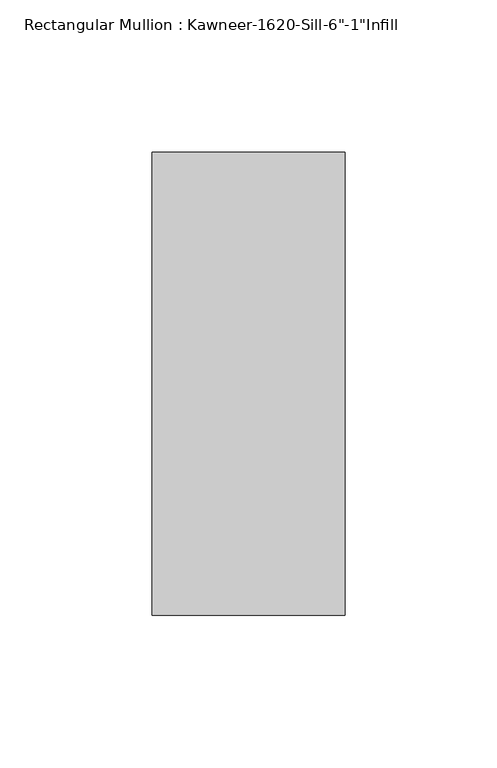
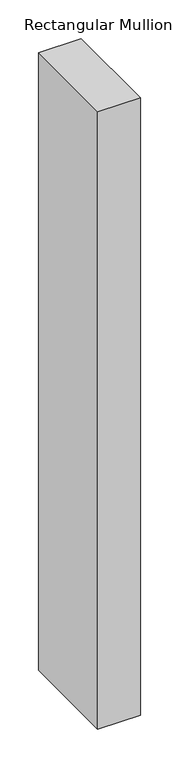
"""IFC4 building model written with IfcOpenShell, lengths in millimetres: member geometry."""

import ifcopenshell
import ifcopenshell.guid

model = None  # the IFC model being written
_history = None  # IfcOwnerHistory: only IFC2X3 demands one
_inside = {}  # id of a spatial element -> (the spatial element, [elements in it])
_under = {}  # id of a project, library or spatial element -> (it, [spatial elements below it])
_declared = {}  # id of a project -> (the project, [libraries it declares])
_typed = {}  # id of a type object -> (the type object, [elements of that type])
_made_of = {}  # id of a material, layer set ... -> (it, [elements and type objects made of it])


def new_model(schema):
    """Start an empty IFC model of exactly this schema.

    Asked for "IFC4X3", IfcOpenShell would pick the latest addendum, in which some entities
    have other attributes; the version numbers below select the first issue.
    IFC2X3 requires an IfcOwnerHistory on every rooted entity: one is made here for all.
    """
    global model, _history
    if schema == "IFC4X3":
        model = ifcopenshell.file(schema_version=(4, 3, 0, 0))
    else:
        model = ifcopenshell.file(schema=schema)
    _inside.clear()
    _under.clear()
    _declared.clear()
    _typed.clear()
    _made_of.clear()
    _history = None
    if model.schema == "IFC2X3":
        org = make("IfcOrganization", Name="unknown")
        user = make(
            "IfcPersonAndOrganization",
            ThePerson=make("IfcPerson", FamilyName="unknown"),
            TheOrganization=org,
        )
        app = make(
            "IfcApplication",
            ApplicationDeveloper=org,
            Version="unknown",
            ApplicationFullName="unknown",
            ApplicationIdentifier="unknown",
        )
        _history = make(
            "IfcOwnerHistory",
            OwningUser=user,
            OwningApplication=app,
            ChangeAction="ADDED",
            CreationDate=0,
        )
    return model


def make(cls, **values):
    """One entity of the class cls with the attributes given. An attribute that is None is left unset."""
    return model.create_entity(
        cls, **{name: value for name, value in values.items() if value is not None}
    )


def rooted(cls, **values):
    """An entity with a GlobalId (a new one), such as an element, a storey or a relation."""
    return make(cls, GlobalId=ifcopenshell.guid.new(), OwnerHistory=_history, **values)


def si_unit(unit_type, name, prefix=None):
    """IfcSIUnit, for example si_unit("LENGTHUNIT", "METRE", prefix="MILLI")."""
    return make("IfcSIUnit", UnitType=unit_type, Prefix=prefix, Name=name)


def assignment(units):
    """IfcUnitAssignment: the units of a project."""
    return None if units is None else make("IfcUnitAssignment", Units=units)


def point(xyz):
    """IfcCartesianPoint."""
    return None if xyz is None else make("IfcCartesianPoint", Coordinates=xyz)


def direction(xyz):
    """IfcDirection."""
    return None if xyz is None else make("IfcDirection", DirectionRatios=xyz)


def frame(location, z_axis=None, x_axis=None):
    """IfcAxis2Placement3D, a coordinate frame: its origin and axes. An axis left out is left unset."""
    return make(
        "IfcAxis2Placement3D",
        Location=point(location),
        Axis=direction(z_axis),
        RefDirection=direction(x_axis),
    )


def origin():
    """The frame at (0, 0, 0) with its axes left unset."""
    return frame((0.0, 0.0, 0.0))


def place(relative_to, where):
    """IfcLocalPlacement: puts the frame where relative to a parent placement (None: the world)."""
    return make(
        "IfcLocalPlacement", PlacementRelTo=relative_to, RelativePlacement=where
    )


def context(
    kind, dimensions, precision=None, world=None, true_north=None, identifier=None
):
    """IfcGeometricRepresentationContext, for example the 3D "Model" context."""
    return make(
        "IfcGeometricRepresentationContext",
        ContextIdentifier=identifier,
        ContextType=kind,
        CoordinateSpaceDimension=dimensions,
        Precision=precision,
        WorldCoordinateSystem=world,
        TrueNorth=true_north,
    )


def project(units=None, contexts=None):
    """IfcProject with its units and contexts."""
    return rooted(
        "IfcProject",
        Name="project",
        RepresentationContexts=contexts,
        UnitsInContext=assignment(units),
    )


def spatial(cls, under=None, at=None, **own):
    """A site, building, storey or space (cls), placed at a placement, below another one or the project."""
    s = rooted(cls, ObjectPlacement=at, **own)
    if under is not None:
        _under.setdefault(under.id(), (under, []))[1].append(s)
    return s


def polyline(points):
    """IfcPolyline through the points."""
    return make("IfcPolyline", Points=[point(p) for p in points])


def outline(outer, holes=None, kind="AREA"):
    """IfcArbitraryClosedProfileDef: a profile drawn as a closed curve; with holes, ...WithVoids."""
    if holes is None:
        return make("IfcArbitraryClosedProfileDef", ProfileType=kind, OuterCurve=outer)
    return make(
        "IfcArbitraryProfileDefWithVoids",
        ProfileType=kind,
        OuterCurve=outer,
        InnerCurves=holes,
    )


def extrude(swept, where, along, depth):
    """IfcExtrudedAreaSolid: the profile swept, set in the frame where, extruded along a direction by depth."""
    return make(
        "IfcExtrudedAreaSolid",
        SweptArea=swept,
        Position=where,
        ExtrudedDirection=direction(along),
        Depth=depth,
    )


def shape(context_of_items, identifier, shape_type, items):
    """IfcShapeRepresentation: the items that make up one representation, for example the "Body"."""
    return make(
        "IfcShapeRepresentation",
        ContextOfItems=context_of_items,
        RepresentationIdentifier=identifier,
        RepresentationType=shape_type,
        Items=items,
    )


def source(mapping_origin, context_of_items, identifier, shape_type, items):
    """IfcRepresentationMap: a shape defined once, which mapped items show again and again."""
    return make(
        "IfcRepresentationMap",
        MappingOrigin=mapping_origin,
        MappedRepresentation=shape(context_of_items, identifier, shape_type, items),
    )


def transform(
    local_origin,
    x_axis=None,
    y_axis=None,
    z_axis=None,
    scale=None,
    scale2=None,
    scale3=None,
    uniform=True,
):
    """IfcCartesianTransformationOperator3D, or its non-uniform kind. x_axis, y_axis, z_axis: its Axis1, 2, 3."""
    if uniform:
        return make(
            "IfcCartesianTransformationOperator3D",
            Axis1=direction(x_axis),
            Axis2=direction(y_axis),
            LocalOrigin=point(local_origin),
            Scale=scale,
            Axis3=direction(z_axis),
        )
    return make(
        "IfcCartesianTransformationOperator3DnonUniform",
        Axis1=direction(x_axis),
        Axis2=direction(y_axis),
        LocalOrigin=point(local_origin),
        Scale=scale,
        Axis3=direction(z_axis),
        Scale2=scale2,
        Scale3=scale3,
    )


def mapped(mapping_source, mapping_target):
    """IfcMappedItem: shows the shape of a source again, moved by a transform."""
    return make(
        "IfcMappedItem", MappingSource=mapping_source, MappingTarget=mapping_target
    )


def made_of(thing, what):
    """Note that an element or type object is made of a material, layer set ...; save() writes the relation."""
    if what is not None:
        _made_of.setdefault(what.id(), (what, []))[1].append(thing)
    return thing


def element(
    cls,
    number,
    at=None,
    inside=None,
    cuts=None,
    type_object=None,
    material=None,
    context=None,
    identifier="Body",
    shape_type=None,
    held_by="IfcProductDefinitionShape",
    body=None,
    shapes=None,
    **own,
):
    """One element of the class cls, such as IfcWall. Its Tag is "e" and its number.

    at: its placement. inside: the storey or other place that contains it. cuts: it is an
    opening in that element (IfcRelVoidsElement). A single representation is given by context,
    identifier, shape_type and body (its items); several are given by shapes. held_by: the class
    of the entity that holds the representations. save() writes the other relations.
    """
    e = rooted(cls, Tag="e%d" % number, ObjectPlacement=at, **own)
    if body is not None:
        shapes = [shape(context, identifier, shape_type, body)]
    if shapes is not None:
        e.Representation = make(held_by, Representations=shapes)
    if inside is not None:
        _inside.setdefault(inside.id(), (inside, []))[1].append(e)
    if cuts is not None:
        rooted(
            "IfcRelVoidsElement", RelatingBuildingElement=cuts, RelatedOpeningElement=e
        )
    if type_object is not None:
        _typed.setdefault(type_object.id(), (type_object, []))[1].append(e)
    return made_of(e, material)


def aggregate(whole, parts):
    """IfcRelAggregates: a whole, such as a stair, and the parts it consists of."""
    return rooted("IfcRelAggregates", RelatingObject=whole, RelatedObjects=parts)


def save(model, path):
    """Write the relations noted so far, then the file.

    IfcRelAggregates (storeys below a building ...), IfcRelContainedInSpatialStructure (elements
    in a storey), IfcRelDefinesByType, IfcRelAssociatesMaterial and IfcRelDeclares: one each for
    every whole, place, type object, material and project.
    """
    for whole, parts in _under.values():
        aggregate(whole, parts)
    for where, things in _inside.values():
        rooted(
            "IfcRelContainedInSpatialStructure",
            RelatedElements=things,
            RelatingStructure=where,
        )
    for kind, things in _typed.values():
        rooted("IfcRelDefinesByType", RelatedObjects=things, RelatingType=kind)
    for what, things in _made_of.values():
        rooted("IfcRelAssociatesMaterial", RelatedObjects=things, RelatingMaterial=what)
    for by, libraries in _declared.values():
        rooted("IfcRelDeclares", RelatingContext=by, RelatedDefinitions=libraries)
    model.write(path)


def member_9f8cbfe8(model_context):
    return source(origin(), model_context, "Body", "SweptSolid", [
        extrude(outline(polyline([(-63.5, 38.1), (0.0, 38.1), (0.0, -114.3), (-63.5, -114.3), (-63.5, 38.1)])), frame((0.0, 0.0, -971.55), z_axis=(0.0, 0.0, 1.0), x_axis=(1.0, 0.0, 0.0)), (0.0, 0.0, 1.0), 971.55),
    ])


if __name__ == "__main__":
    model = new_model("IFC4")
    model_context = context("Model", 3, world=origin())
    ifc_project = project(units=[si_unit("LENGTHUNIT", "METRE", prefix="MILLI")], contexts=[model_context])
    site = spatial("IfcSite", under=ifc_project)
    building = spatial("IfcBuilding", under=site)
    placement = place(None, origin())
    member_shape = member_9f8cbfe8(model_context)
    element("IfcMember", 1, ObjectType="Rectangular Mullion : Kawneer-1620-Sill-6\"-1\"Infill", at=placement, inside=building, context=model_context, shape_type="MappedRepresentation", body=[
        mapped(member_shape, transform((0.0, 0.0, 0.0), x_axis=(1.0, 0.0, 0.0), y_axis=(0.0, 1.0, 0.0), z_axis=(0.0, 0.0, 1.0))),
    ])
    save(model, "model.ifc")
